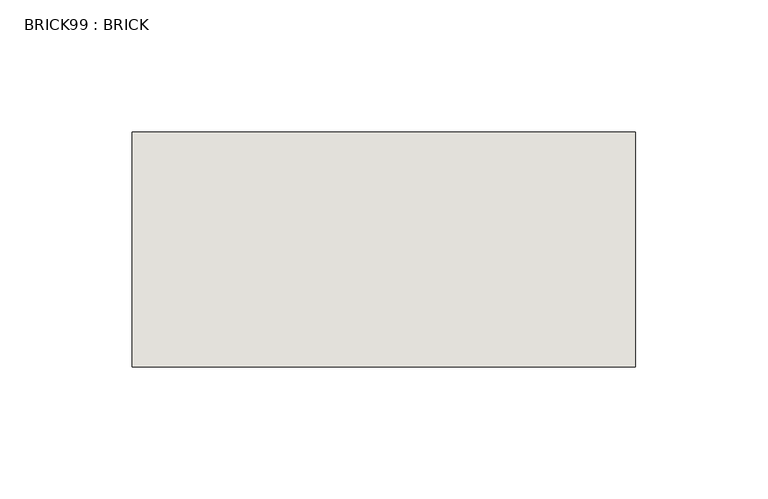
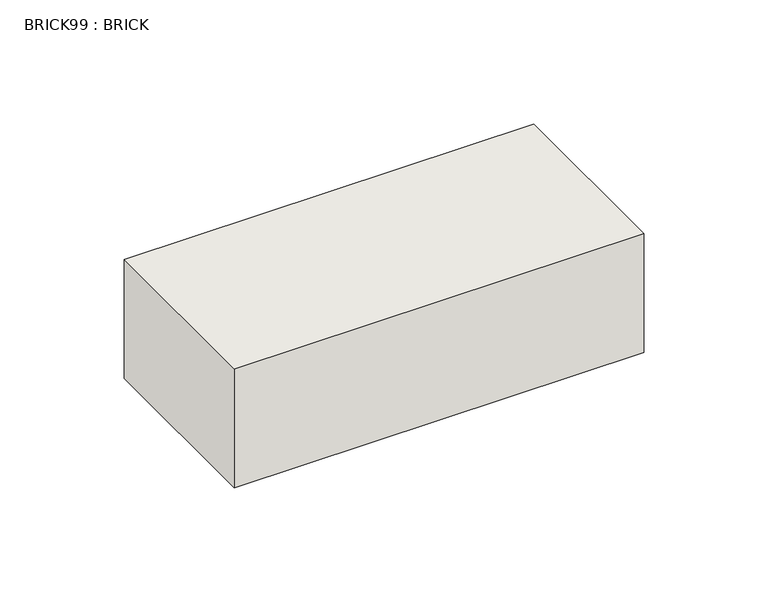
"""IFC4 building model written with IfcOpenShell, lengths in millimetres: wall geometry, BRICK99 : BRICK."""

from ifc_helpers import new_model, si_unit, frame, origin, place, context, project, spatial, polyline, outline, extrude, source, transform, mapped, element, save


def brick99_brick_81a30a4c(model_context):
    return source(origin(), model_context, "Body", "SweptSolid", [
        extrude(outline(polyline([(1138.5272594, 2586.2274125), (1329.0272594, 2586.2274125), (1329.0272594, 2497.3274125), (1138.5272594, 2497.3274125), (1138.5272594, 2586.2274125)])), frame((0.0, 0.0, 143.8671875), z_axis=(0.0, 0.0, 1.0), x_axis=(1.0, 0.0, 0.0)), (0.0, 0.0, 1.0), 58.4398437),
    ])


if __name__ == "__main__":
    model = new_model("IFC4")
    model_context = context("Model", 3, world=origin())
    ifc_project = project(units=[si_unit("LENGTHUNIT", "METRE", prefix="MILLI")], contexts=[model_context])
    site = spatial("IfcSite", under=ifc_project)
    building = spatial("IfcBuilding", under=site)
    placement = place(None, origin())
    brick99_brick_shape = brick99_brick_81a30a4c(model_context)
    element("IfcWall", 1, ObjectType="BRICK99 : BRICK", at=placement, inside=building, context=model_context, shape_type="MappedRepresentation", body=[
        mapped(brick99_brick_shape, transform((0.0, 0.0, 0.0), x_axis=(1.0, 0.0, 0.0), y_axis=(0.0, 1.0, 0.0), z_axis=(0.0, 0.0, 1.0))),
    ])
    save(model, "model.ifc")
